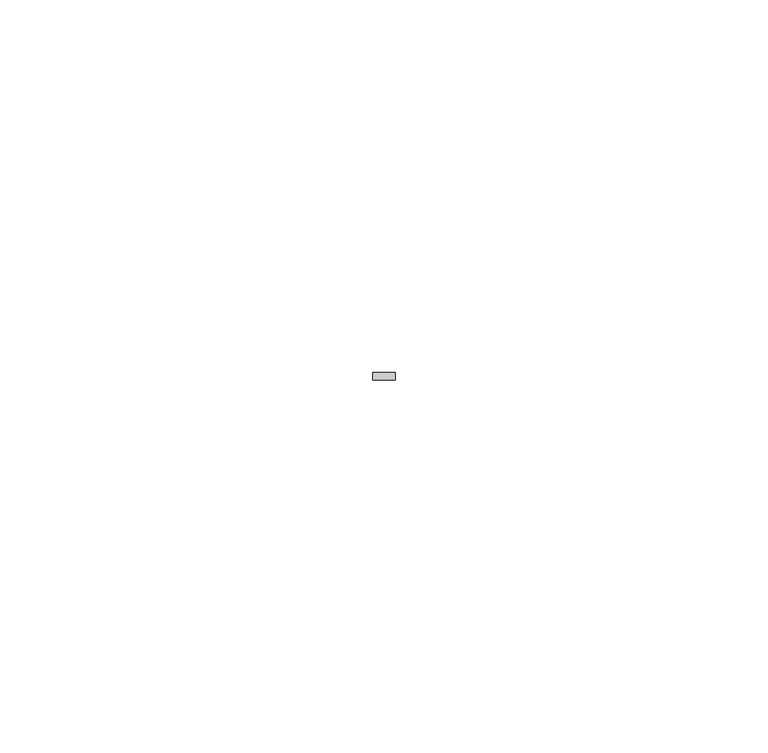
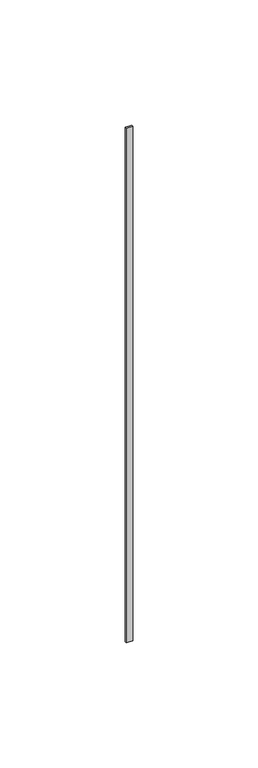
"""IFC4 building model written with IfcOpenShell, lengths in millimetres: member geometry."""

from ifc_helpers import new_model, si_unit, frame, origin, place, context, project, spatial, polyline, outline, extrude, source, transform, mapped, element, save


def member_738ef651(model_context):
    return source(origin(), model_context, "Body", "SweptSolid", [
        extrude(outline(polyline([(0.0, -6.0), (0.0, -7.0), (-3.0, -7.0), (-3.0, -6.0), (0.0, -6.0)])), frame((0.0, 0.0, -250.9999997), z_axis=(0.0, 0.0, 1.0), x_axis=(1.0, 0.0, 0.0)), (0.0, 0.0, 1.0), 250.9999997),
    ])


if __name__ == "__main__":
    model = new_model("IFC4")
    model_context = context("Model", 3, world=origin())
    ifc_project = project(units=[si_unit("LENGTHUNIT", "METRE", prefix="MILLI")], contexts=[model_context])
    site = spatial("IfcSite", under=ifc_project)
    building = spatial("IfcBuilding", under=site)
    placement = place(None, origin())
    member_shape = member_738ef651(model_context)
    element("IfcMember", 1, at=placement, inside=building, context=model_context, shape_type="MappedRepresentation", body=[
        mapped(member_shape, transform((0.0, 0.0, 0.0), x_axis=(1.0, 0.0, 0.0), y_axis=(0.0, 1.0, 0.0), z_axis=(0.0, 0.0, 1.0))),
    ])
    save(model, "model.ifc")
